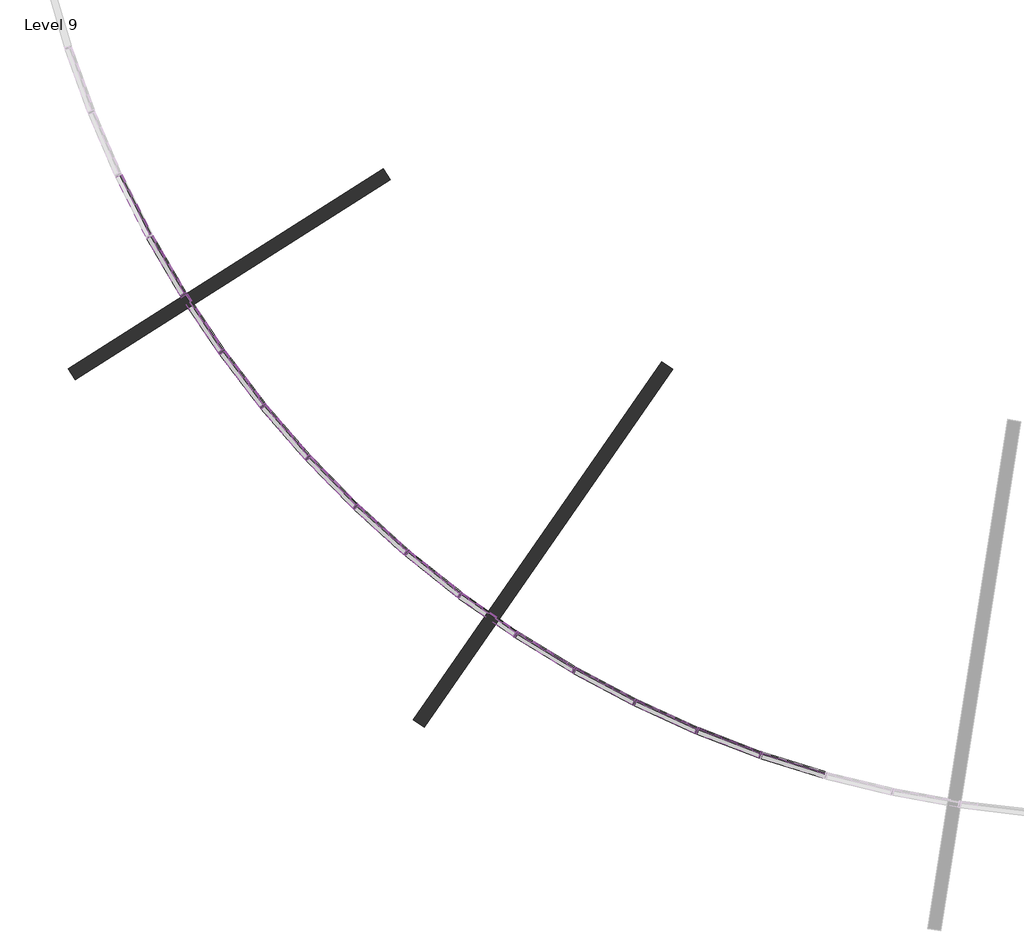
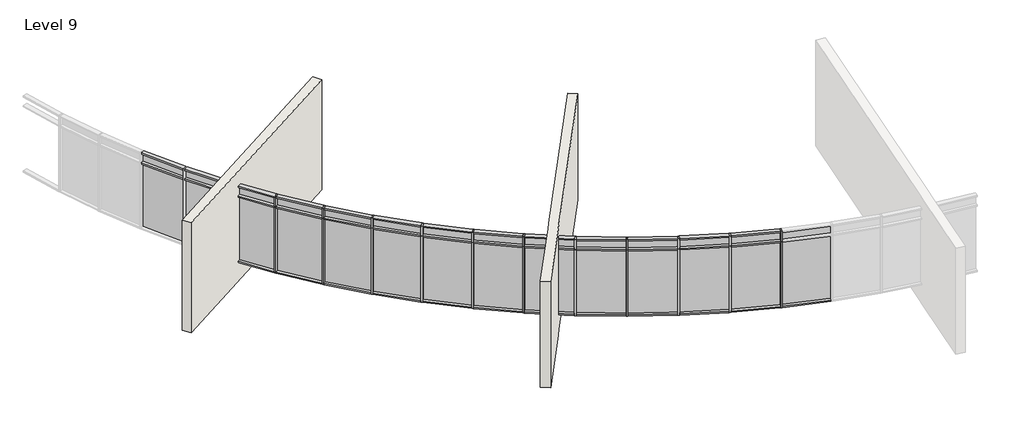
# One storey, part 1 of 10: 63 members, 28 plates, 2 walls.
"""IFC4 building model written with IfcOpenShell, lengths in millimetres."""

import ifcopenshell
import ifcopenshell.guid

model = None  # the IFC model being written
_history = None  # IfcOwnerHistory: only IFC2X3 demands one
_inside = {}  # id of a spatial element -> (the spatial element, [elements in it])
_under = {}  # id of a project, library or spatial element -> (it, [spatial elements below it])
_declared = {}  # id of a project -> (the project, [libraries it declares])
_typed = {}  # id of a type object -> (the type object, [elements of that type])
_made_of = {}  # id of a material, layer set ... -> (it, [elements and type objects made of it])


def new_model(schema):
    """Start an empty IFC model of exactly this schema.

    Asked for "IFC4X3", IfcOpenShell would pick the latest addendum, in which some entities
    have other attributes; the version numbers below select the first issue.
    IFC2X3 requires an IfcOwnerHistory on every rooted entity: one is made here for all.
    """
    global model, _history
    if schema == "IFC4X3":
        model = ifcopenshell.file(schema_version=(4, 3, 0, 0))
    else:
        model = ifcopenshell.file(schema=schema)
    _inside.clear()
    _under.clear()
    _declared.clear()
    _typed.clear()
    _made_of.clear()
    _history = None
    if model.schema == "IFC2X3":
        org = make("IfcOrganization", Name="unknown")
        user = make(
            "IfcPersonAndOrganization",
            ThePerson=make("IfcPerson", FamilyName="unknown"),
            TheOrganization=org,
        )
        app = make(
            "IfcApplication",
            ApplicationDeveloper=org,
            Version="unknown",
            ApplicationFullName="unknown",
            ApplicationIdentifier="unknown",
        )
        _history = make(
            "IfcOwnerHistory",
            OwningUser=user,
            OwningApplication=app,
            ChangeAction="ADDED",
            CreationDate=0,
        )
    return model


def make(cls, **values):
    """One entity of the class cls with the attributes given. An attribute that is None is left unset."""
    return model.create_entity(
        cls, **{name: value for name, value in values.items() if value is not None}
    )


def rooted(cls, **values):
    """An entity with a GlobalId (a new one), such as an element, a storey or a relation."""
    return make(cls, GlobalId=ifcopenshell.guid.new(), OwnerHistory=_history, **values)


def si_unit(unit_type, name, prefix=None):
    """IfcSIUnit, for example si_unit("LENGTHUNIT", "METRE", prefix="MILLI")."""
    return make("IfcSIUnit", UnitType=unit_type, Prefix=prefix, Name=name)


def assignment(units):
    """IfcUnitAssignment: the units of a project."""
    return None if units is None else make("IfcUnitAssignment", Units=units)


def point(xyz):
    """IfcCartesianPoint."""
    return None if xyz is None else make("IfcCartesianPoint", Coordinates=xyz)


def direction(xyz):
    """IfcDirection."""
    return None if xyz is None else make("IfcDirection", DirectionRatios=xyz)


def frame(location, z_axis=None, x_axis=None):
    """IfcAxis2Placement3D, a coordinate frame: its origin and axes. An axis left out is left unset."""
    return make(
        "IfcAxis2Placement3D",
        Location=point(location),
        Axis=direction(z_axis),
        RefDirection=direction(x_axis),
    )


def origin():
    """The frame at (0, 0, 0) with its axes left unset."""
    return frame((0.0, 0.0, 0.0))


def origin_with_axes():
    """The frame at (0, 0, 0) with the z axis (0, 0, 1) and the x axis (1, 0, 0) written out."""
    return frame((0.0, 0.0, 0.0), z_axis=(0.0, 0.0, 1.0), x_axis=(1.0, 0.0, 0.0))


def place(relative_to, where):
    """IfcLocalPlacement: puts the frame where relative to a parent placement (None: the world)."""
    return make(
        "IfcLocalPlacement", PlacementRelTo=relative_to, RelativePlacement=where
    )


def context(
    kind, dimensions, precision=None, world=None, true_north=None, identifier=None
):
    """IfcGeometricRepresentationContext, for example the 3D "Model" context."""
    return make(
        "IfcGeometricRepresentationContext",
        ContextIdentifier=identifier,
        ContextType=kind,
        CoordinateSpaceDimension=dimensions,
        Precision=precision,
        WorldCoordinateSystem=world,
        TrueNorth=true_north,
    )


def project(units=None, contexts=None):
    """IfcProject with its units and contexts."""
    return rooted(
        "IfcProject",
        Name="project",
        RepresentationContexts=contexts,
        UnitsInContext=assignment(units),
    )


def spatial(cls, under=None, at=None, **own):
    """A site, building, storey or space (cls), placed at a placement, below another one or the project."""
    s = rooted(cls, ObjectPlacement=at, **own)
    if under is not None:
        _under.setdefault(under.id(), (under, []))[1].append(s)
    return s


def polyline(points):
    """IfcPolyline through the points."""
    return make("IfcPolyline", Points=[point(p) for p in points])


def outline(outer, holes=None, kind="AREA"):
    """IfcArbitraryClosedProfileDef: a profile drawn as a closed curve; with holes, ...WithVoids."""
    if holes is None:
        return make("IfcArbitraryClosedProfileDef", ProfileType=kind, OuterCurve=outer)
    return make(
        "IfcArbitraryProfileDefWithVoids",
        ProfileType=kind,
        OuterCurve=outer,
        InnerCurves=holes,
    )


def extrude(swept, where, along, depth):
    """IfcExtrudedAreaSolid: the profile swept, set in the frame where, extruded along a direction by depth."""
    return make(
        "IfcExtrudedAreaSolid",
        SweptArea=swept,
        Position=where,
        ExtrudedDirection=direction(along),
        Depth=depth,
    )


def faces_of(points, faces, orient=None, outer=None):
    """IfcFace entities. A face is a list of loops; a loop is a list of indices into points, from 0.

    orient and outer hold one flag for each loop. By default every Orientation is true, the
    first loop of a face is its IfcFaceOuterBound and the others are IfcFaceBound.
    """
    made = []
    for i, loops in enumerate(faces):
        bounds = []
        for j, loop in enumerate(loops):
            is_outer = j == 0 if outer is None else outer[i][j]
            bounds.append(
                make(
                    "IfcFaceOuterBound" if is_outer else "IfcFaceBound",
                    Bound=make("IfcPolyLoop", Polygon=[points[k] for k in loop]),
                    Orientation=True if orient is None else orient[i][j],
                )
            )
        made.append(make("IfcFace", Bounds=bounds))
    return made


def faceted_brep(points, faces, orient=None, outer=None, voids=None):
    """IfcFacetedBrep: a solid bounded by flat faces; with voids (closed shells), ...WithVoids."""
    shared = [point(p) for p in points]
    hull = make("IfcClosedShell", CfsFaces=faces_of(shared, faces, orient, outer))
    if voids is None:
        return make("IfcFacetedBrep", Outer=hull)
    return make(
        "IfcFacetedBrepWithVoids",
        Outer=hull,
        Voids=[
            make(cls, CfsFaces=faces_of(shared, fs, o, b)) for cls, fs, o, b in voids
        ],
    )


def shape(context_of_items, identifier, shape_type, items):
    """IfcShapeRepresentation: the items that make up one representation, for example the "Body"."""
    return make(
        "IfcShapeRepresentation",
        ContextOfItems=context_of_items,
        RepresentationIdentifier=identifier,
        RepresentationType=shape_type,
        Items=items,
    )


def source(mapping_origin, context_of_items, identifier, shape_type, items):
    """IfcRepresentationMap: a shape defined once, which mapped items show again and again."""
    return make(
        "IfcRepresentationMap",
        MappingOrigin=mapping_origin,
        MappedRepresentation=shape(context_of_items, identifier, shape_type, items),
    )


def transform(
    local_origin,
    x_axis=None,
    y_axis=None,
    z_axis=None,
    scale=None,
    scale2=None,
    scale3=None,
    uniform=True,
):
    """IfcCartesianTransformationOperator3D, or its non-uniform kind. x_axis, y_axis, z_axis: its Axis1, 2, 3."""
    if uniform:
        return make(
            "IfcCartesianTransformationOperator3D",
            Axis1=direction(x_axis),
            Axis2=direction(y_axis),
            LocalOrigin=point(local_origin),
            Scale=scale,
            Axis3=direction(z_axis),
        )
    return make(
        "IfcCartesianTransformationOperator3DnonUniform",
        Axis1=direction(x_axis),
        Axis2=direction(y_axis),
        LocalOrigin=point(local_origin),
        Scale=scale,
        Axis3=direction(z_axis),
        Scale2=scale2,
        Scale3=scale3,
    )


def mapped(mapping_source, mapping_target):
    """IfcMappedItem: shows the shape of a source again, moved by a transform."""
    return make(
        "IfcMappedItem", MappingSource=mapping_source, MappingTarget=mapping_target
    )


def made_of(thing, what):
    """Note that an element or type object is made of a material, layer set ...; save() writes the relation."""
    if what is not None:
        _made_of.setdefault(what.id(), (what, []))[1].append(thing)
    return thing


def element(
    cls,
    number,
    at=None,
    inside=None,
    cuts=None,
    type_object=None,
    material=None,
    context=None,
    identifier="Body",
    shape_type=None,
    held_by="IfcProductDefinitionShape",
    body=None,
    shapes=None,
    **own,
):
    """One element of the class cls, such as IfcWall. Its Tag is "e" and its number.

    at: its placement. inside: the storey or other place that contains it. cuts: it is an
    opening in that element (IfcRelVoidsElement). A single representation is given by context,
    identifier, shape_type and body (its items); several are given by shapes. held_by: the class
    of the entity that holds the representations. save() writes the other relations.
    """
    e = rooted(cls, Tag="e%d" % number, ObjectPlacement=at, **own)
    if body is not None:
        shapes = [shape(context, identifier, shape_type, body)]
    if shapes is not None:
        e.Representation = make(held_by, Representations=shapes)
    if inside is not None:
        _inside.setdefault(inside.id(), (inside, []))[1].append(e)
    if cuts is not None:
        rooted(
            "IfcRelVoidsElement", RelatingBuildingElement=cuts, RelatedOpeningElement=e
        )
    if type_object is not None:
        _typed.setdefault(type_object.id(), (type_object, []))[1].append(e)
    return made_of(e, material)


def aggregate(whole, parts):
    """IfcRelAggregates: a whole, such as a stair, and the parts it consists of."""
    return rooted("IfcRelAggregates", RelatingObject=whole, RelatedObjects=parts)


def save(model, path):
    """Write the relations noted so far, then the file.

    IfcRelAggregates (storeys below a building ...), IfcRelContainedInSpatialStructure (elements
    in a storey), IfcRelDefinesByType, IfcRelAssociatesMaterial and IfcRelDeclares: one each for
    every whole, place, type object, material and project.
    """
    for whole, parts in _under.values():
        aggregate(whole, parts)
    for where, things in _inside.values():
        rooted(
            "IfcRelContainedInSpatialStructure",
            RelatedElements=things,
            RelatingStructure=where,
        )
    for kind, things in _typed.values():
        rooted("IfcRelDefinesByType", RelatedObjects=things, RelatingType=kind)
    for what, things in _made_of.values():
        rooted("IfcRelAssociatesMaterial", RelatedObjects=things, RelatingMaterial=what)
    for by, libraries in _declared.values():
        rooted("IfcRelDeclares", RelatingContext=by, RelatedDefinitions=libraries)
    model.write(path)


def rectangular_mullion_50_x_150mm_6225e4e3(model_context):
    return source(origin(), model_context, "Body", "SweptSolid", [
        extrude(outline(polyline([(25.0, 75.0), (25.0, -75.0), (-25.0, -75.0), (-25.0, 75.0), (25.0, 75.0)])), frame((0.0, 0.0, -2400.0), z_axis=(0.0, 0.0, 1.0), x_axis=(1.0, 0.0, 0.0)), (0.0, 0.0, 1.0), 2400.0),
    ])


def rectangular_mullion_50_x_150mm_5f8c5138(model_context):
    return source(origin(), model_context, "Body", "SweptSolid", [
        extrude(outline(polyline([(0.0, 75.0), (0.0, -75.0), (-50.0, -75.0), (-50.0, 75.0), (0.0, 75.0)])), frame((0.0, 0.0, -1486.638566), z_axis=(0.0, 0.0, 1.0), x_axis=(1.0, 0.0, 0.0)), (0.0, 0.0, 1.0), 1486.638566),
    ])


def rectangular_mullion_50_x_150mm_aa73aa68(model_context):
    return source(origin(), model_context, "Body", "SweptSolid", [
        extrude(outline(polyline([(25.0, 75.0), (25.0, -75.0), (-25.0, -75.0), (-25.0, 75.0), (25.0, 75.0)])), frame((0.0, 0.0, -1486.638566), z_axis=(0.0, 0.0, 1.0), x_axis=(1.0, 0.0, 0.0)), (0.0, 0.0, 1.0), 1486.638566),
    ])


def rectangular_mullion_50_x_150mm_8e968590(model_context):
    return source(origin(), model_context, "Body", "SweptSolid", [
        extrude(outline(polyline([(25.0, 75.0), (25.0, -75.0), (-25.0, -75.0), (-25.0, 75.0), (25.0, 75.0)])), frame((0.0, 0.0, -377.1504642), z_axis=(0.0, 0.0, 1.0), x_axis=(1.0, 0.0, 0.0)), (0.0, 0.0, 1.0), 377.1504642),
    ])


def system_panel_glazed_01d78c24(model_context):
    return source(origin(), model_context, "Body", "SweptSolid", [
        extrude(outline(polyline([(743.319283, 24.5), (-743.319283, 24.5), (-743.319283, 49.5), (743.319283, 49.5), (743.319283, 24.5)])), origin_with_axes(), (0.0, 0.0, 1.0), 2325.0),
    ])


def system_panel_glazed_a4027662(model_context):
    return source(origin(), model_context, "Body", "SweptSolid", [
        extrude(outline(polyline([(743.319283, 24.5), (-743.319283, 24.5), (-743.319283, 49.5), (743.319283, 49.5), (743.319283, 24.5)])), origin_with_axes(), (0.0, 0.0, 1.0), 302.1504642),
    ])


model = new_model("IFC4")

# Units and contexts
model_context = context("Model", 3, world=origin())
ifc_project = project(units=[si_unit("LENGTHUNIT", "METRE", prefix="MILLI")], contexts=[model_context])

# Site, building, storey
site = spatial("IfcSite", under=ifc_project)
building = spatial("IfcBuilding", under=site)
storey = spatial("IfcBuildingStorey", under=building, Name="Level 9", Elevation=31000.0)

# Members
placement = place(None, origin())
rectangular_mullion_50_x_150mm_shape = rectangular_mullion_50_x_150mm_6225e4e3(model_context)
element("IfcMember", 1, ObjectType="Rectangular Mullion : 50 x 150mm", at=placement, inside=storey, context=model_context, shape_type="MappedRepresentation", body=[
    mapped(rectangular_mullion_50_x_150mm_shape, transform((-29980.4490759, -67295.168593, 31684.9990095), x_axis=(0.5308754814550768, -0.8474498352055067, 0.0), y_axis=(-0.8474498352055067, -0.5308754814550768, 0.0), z_axis=(0.0, 0.0, -1.0))),
])
element("IfcMember", 2, ObjectType="Rectangular Mullion : 50 x 150mm", at=placement, inside=storey, context=model_context, shape_type="MappedRepresentation", body=[
    mapped(rectangular_mullion_50_x_150mm_shape, transform((-29125.0497186, -68571.7068894, 31684.9990095), x_axis=(0.581937013310164, -0.8132338609155708, 0.0), y_axis=(-0.8132338609155708, -0.581937013310164, 0.0), z_axis=(0.0, 0.0, -1.0))),
])
element("IfcMember", 3, ObjectType="Rectangular Mullion : 50 x 150mm", at=placement, inside=storey, context=model_context, shape_type="MappedRepresentation", body=[
    mapped(rectangular_mullion_50_x_150mm_shape, transform((-28192.8401603, -69793.2810467, 31684.9990095), x_axis=(0.6307999796033567, -0.7759454785823583, 0.0), y_axis=(-0.7759454785823583, -0.6307999796033567, 0.0), z_axis=(0.0, 0.0, -1.0))),
])
element("IfcMember", 4, ObjectType="Rectangular Mullion : 50 x 150mm", at=placement, inside=storey, context=model_context, shape_type="MappedRepresentation", body=[
    mapped(rectangular_mullion_50_x_150mm_shape, transform((-27187.3423006, -70955.275942, 31684.9990095), x_axis=(0.6772797754161035, -0.7357255641965368, 0.0), y_axis=(-0.7357255641965368, -0.6772797754161035, 0.0), z_axis=(0.0, 0.0, -1.0))),
])
element("IfcMember", 5, ObjectType="Rectangular Mullion : 50 x 150mm", at=placement, inside=storey, context=model_context, shape_type="MappedRepresentation", body=[
    mapped(rectangular_mullion_50_x_150mm_shape, transform((-26112.3549236, -72053.3015436, 31684.9990095), x_axis=(0.7212007994787487, -0.6927260691147791, 0.0), y_axis=(-0.6927260691147791, -0.7212007994787487, 0.0), z_axis=(0.0, 0.0, -1.0))),
])
element("IfcMember", 6, ObjectType="Rectangular Mullion : 50 x 150mm", at=placement, inside=storey, context=model_context, shape_type="MappedRepresentation", body=[
    mapped(rectangular_mullion_50_x_150mm_shape, transform((-24971.9393454, -73083.2094965, 31684.9990095), x_axis=(0.7623971175943963, -0.6471094459855739, 0.0), y_axis=(-0.6471094459855739, -0.7623971175943963, 0.0), z_axis=(0.0, 0.0, -1.0))),
])
element("IfcMember", 7, ObjectType="Rectangular Mullion : 50 x 150mm", at=placement, inside=storey, context=model_context, shape_type="MappedRepresentation", body=[
    mapped(rectangular_mullion_50_x_150mm_shape, transform((-23770.4040708, -74041.1087951, 31684.9990095), x_axis=(0.8007130895404541, -0.5990480350010181, 0.0), y_axis=(-0.5990480350010181, -0.8007130895404541, 0.0), z_axis=(0.0, 0.0, -1.0))),
])
element("IfcMember", 8, ObjectType="Rectangular Mullion : 50 x 150mm", at=placement, inside=storey, context=model_context, shape_type="MappedRepresentation", body=[
    mapped(rectangular_mullion_50_x_150mm_shape, transform((-22512.2885156, -74923.3804836, 31684.9990095), x_axis=(0.8360039570794082, -0.5487234127933407, 0.0), y_axis=(-0.5487234127933407, -0.8360039570794082, 0.0), z_axis=(0.0, 0.0, -1.0))),
])
element("IfcMember", 9, ObjectType="Rectangular Mullion : 50 x 150mm", at=placement, inside=storey, context=model_context, shape_type="MappedRepresentation", body=[
    mapped(rectangular_mullion_50_x_150mm_shape, transform((-21202.3458566, -75726.6913281, 31684.9990095), x_axis=(0.8681363908573159, -0.4963257064360396, 0.0), y_axis=(-0.4963257064360396, -0.8681363908573159, 0.0), z_axis=(0.0, 0.0, -1.0))),
])
element("IfcMember", 10, ObjectType="Rectangular Mullion : 50 x 150mm", at=placement, inside=storey, context=model_context, shape_type="MappedRepresentation", body=[
    mapped(rectangular_mullion_50_x_150mm_shape, transform((-19845.5250743, -76448.0064097, 31684.9990095), x_axis=(0.8969889941238268, -0.44205287514134034, 0.0), y_axis=(-0.44205287514134034, -0.8969889941238268, 0.0), z_axis=(0.0, 0.0, -1.0))),
])
element("IfcMember", 11, ObjectType="Rectangular Mullion : 50 x 150mm", at=placement, inside=storey, context=model_context, shape_type="MappedRepresentation", body=[
    mapped(rectangular_mullion_50_x_150mm_shape, transform((-18446.9522549, -77084.6005909, 31684.9990095), x_axis=(0.9224527613706781, -0.3861099623677312, 0.0), y_axis=(-0.3861099623677312, -0.9224527613706781, 0.0), z_axis=(0.0, 0.0, -1.0))),
])
element("IfcMember", 12, ObjectType="Rectangular Mullion : 50 x 150mm", at=placement, inside=storey, context=model_context, shape_type="MappedRepresentation", body=[
    mapped(rectangular_mullion_50_x_150mm_shape, transform((-17011.9112248, -77634.0688105, 31684.9990095), x_axis=(0.9444314901559142, -0.3287083211631237, 0.0), y_axis=(-0.3287083211631237, -0.9444314901559142, 0.0), z_axis=(0.0, 0.0, -1.0))),
])
rectangular_mullion_50_x_150mm_2_shape = rectangular_mullion_50_x_150mm_5f8c5138(model_context)
element("IfcMember", 13, ObjectType="Rectangular Mullion : 50 x 150mm", at=placement, inside=storey, context=model_context, shape_type="MappedRepresentation", body=[
    mapped(rectangular_mullion_50_x_150mm_2_shape, transform((-30743.1920164, -65990.0730559, 31684.9990095), x_axis=(0.0, 0.0, -1.0), y_axis=(-0.8633648058773548, -0.5045802334340472, 0.0), z_axis=(-0.5045802334340472, 0.8633648058773548, 0.0))),
])
element("IfcMember", 14, ObjectType="Rectangular Mullion : 50 x 150mm", at=placement, inside=storey, context=model_context, shape_type="MappedRepresentation", body=[
    mapped(rectangular_mullion_50_x_150mm_2_shape, transform((-29966.5323459, -67315.9369494, 31684.9990095), x_axis=(0.0, 0.0, -1.0), y_axis=(-0.8307342563355856, -0.5566691974149114, 0.0), z_axis=(-0.5566691974149114, 0.8307342563355856, 0.0))),
])
element("IfcMember", 15, ObjectType="Rectangular Mullion : 50 x 150mm", at=placement, inside=storey, context=model_context, shape_type="MappedRepresentation", body=[
    mapped(rectangular_mullion_50_x_150mm_2_shape, transform((-29109.8833422, -68591.5810189, 31684.9990095), x_axis=(0.0, 0.0, -1.0), y_axis=(-0.7949651820303252, -0.6066550579690999, 0.0), z_axis=(-0.6066550579690999, 0.7949651820303252, 0.0))),
])
element("IfcMember", 16, ObjectType="Rectangular Mullion : 50 x 150mm", at=placement, inside=storey, context=model_context, shape_type="MappedRepresentation", body=[
    mapped(rectangular_mullion_50_x_150mm_2_shape, transform((-28176.4814361, -69812.1858647, 31684.9990095), x_axis=(0.0, 0.0, -1.0), y_axis=(-0.7561927189868707, -0.6543489678690139, 0.0), z_axis=(-0.6543489678690138, 0.7561927189868706, 0.0))),
])
element("IfcMember", 17, ObjectType="Rectangular Mullion : 50 x 150mm", at=placement, inside=storey, context=model_context, shape_type="MappedRepresentation", body=[
    mapped(rectangular_mullion_50_x_150mm_2_shape, transform((-27169.8530322, -70973.1400258, 31684.9990095), x_axis=(0.0, 0.0, -1.0), y_axis=(-0.7145633500720007, -0.6995707389062805, 0.0), z_axis=(-0.6995707389062805, 0.7145633500720007, 0.0))),
])
element("IfcMember", 18, ObjectType="Rectangular Mullion : 50 x 150mm", at=placement, inside=storey, context=model_context, shape_type="MappedRepresentation", body=[
    mapped(rectangular_mullion_50_x_150mm_2_shape, transform((-26093.8011855, -72070.0574024, 31684.9990095), x_axis=(0.0, 0.0, -1.0), y_axis=(-0.6702343515798254, -0.7421495226451142, 0.0), z_axis=(-0.7421495226451142, 0.6702343515798254, 0.0))),
])
element("IfcMember", 19, ObjectType="Rectangular Mullion : 50 x 150mm", at=placement, inside=storey, context=model_context, shape_type="MappedRepresentation", body=[
    mapped(rectangular_mullion_50_x_150mm_2_shape, transform((-24952.391234, -73098.7938265, 31684.9990095), x_axis=(0.0, 0.0, -1.0), y_axis=(-0.6233731990399086, -0.781924455889922, 0.0), z_axis=(-0.781924455889922, 0.6233731990399086, 0.0))),
])
element("IfcMember", 20, ObjectType="Rectangular Mullion : 50 x 150mm", at=placement, inside=storey, context=model_context, shape_type="MappedRepresentation", body=[
    mapped(rectangular_mullion_50_x_150mm_2_shape, transform((-23749.935439, -74055.4627185, 31684.9990095), x_axis=(0.0, 0.0, -1.0), y_axis=(-0.5741569344925725, -0.8187452684285216, 0.0), z_axis=(-0.8187452684285216, 0.5741569344925725, 0.0))),
])
element("IfcMember", 21, ObjectType="Rectangular Mullion : 50 x 150mm", at=placement, inside=storey, context=model_context, shape_type="MappedRepresentation", body=[
    mapped(rectangular_mullion_50_x_150mm_2_shape, transform((-22490.9766943, -74936.4497711, 31684.9990095), x_axis=(0.0, 0.0, -1.0), y_axis=(-0.5227714976217115, -0.8524728507549979, 0.0), z_axis=(-0.8524728507549979, 0.5227714976217115, 0.0))),
])
element("IfcMember", 22, ObjectType="Rectangular Mullion : 50 x 150mm", at=placement, inside=storey, context=model_context, shape_type="MappedRepresentation", body=[
    mapped(rectangular_mullion_50_x_150mm_2_shape, transform((-21180.2713621, -75738.4266036, 31684.9990095), x_axis=(0.0, 0.0, -1.0), y_axis=(-0.469411023272367, -0.8829797796271381, 0.0), z_axis=(-0.882979779627138, 0.46941102327236695, 0.0))),
])
element("IfcMember", 23, ObjectType="Rectangular Mullion : 50 x 150mm", at=placement, inside=storey, context=model_context, shape_type="MappedRepresentation", body=[
    mapped(rectangular_mullion_50_x_150mm_2_shape, transform((-19822.7713043, -76458.3633374, 31684.9990095), x_axis=(0.0, 0.0, -1.0), y_axis=(-0.4142771080066675, -0.9101507994731598, 0.0), z_axis=(-0.9101507994731597, 0.41427710800666745, 0.0))),
])
element("IfcMember", 24, ObjectType="Rectangular Mullion : 50 x 150mm", at=placement, inside=storey, context=model_context, shape_type="MappedRepresentation", body=[
    mapped(rectangular_mullion_50_x_150mm_2_shape, transform((-18423.6051735, -77093.5400421, 31684.9990095), x_axis=(0.0, 0.0, -1.0), y_axis=(-0.3575780484694937, -0.9338832578287013, 0.0), z_axis=(-0.9338832578287013, 0.3575780484694937, 0.0))),
])
element("IfcMember", 25, ObjectType="Rectangular Mullion : 50 x 150mm", at=placement, inside=storey, context=model_context, shape_type="MappedRepresentation", body=[
    mapped(rectangular_mullion_50_x_150mm_2_shape, transform((-16988.0590375, -77641.5570119, 31684.9990095), x_axis=(0.0, 0.0, -1.0), y_axis=(-0.29952805444100455, -0.9540874931591896, 0.0), z_axis=(-0.9540874931591896, 0.29952805444100455, 0.0))),
])
element("IfcMember", 26, ObjectType="Rectangular Mullion : 50 x 150mm", at=placement, inside=storey, context=model_context, shape_type="MappedRepresentation", body=[
    mapped(rectangular_mullion_50_x_150mm_2_shape, transform((-30767.0711462, -65946.170597, 34462.1494736), x_axis=(0.0, 0.0, 1.0), y_axis=(-0.8927335520174858, -0.45058495880604255, 0.0), z_axis=(0.4505849588060425, -0.8927335520174857, 0.0))),
])
element("IfcMember", 27, ObjectType="Rectangular Mullion : 50 x 150mm", at=placement, inside=storey, context=model_context, shape_type="MappedRepresentation", body=[
    mapped(rectangular_mullion_50_x_150mm_2_shape, transform((-29993.0635817, -67273.5844729, 34462.1494736), x_axis=(0.0, 0.0, 1.0), y_axis=(-0.8633648058773554, -0.5045802334340462, 0.0), z_axis=(0.5045802334340462, -0.8633648058773554, 0.0))),
])
element("IfcMember", 28, ObjectType="Rectangular Mullion : 50 x 150mm", at=placement, inside=storey, context=model_context, shape_type="MappedRepresentation", body=[
    mapped(rectangular_mullion_50_x_150mm_2_shape, transform((-29138.9664486, -68550.938533, 34462.1494736), x_axis=(0.0, 0.0, 1.0), y_axis=(-0.8307342563355847, -0.5566691974149126, 0.0), z_axis=(0.5566691974149126, -0.8307342563355847, 0.0))),
])
element("IfcMember", 29, ObjectType="Rectangular Mullion : 50 x 150mm", at=placement, inside=storey, context=model_context, shape_type="MappedRepresentation", body=[
    mapped(rectangular_mullion_50_x_150mm_2_shape, transform((-28208.0065367, -69773.4069172, 34462.1494736), x_axis=(0.0, 0.0, 1.0), y_axis=(-0.7949651820303252, -0.6066550579690999, 0.0), z_axis=(0.6066550579690999, -0.7949651820303252, 0.0))),
])
element("IfcMember", 30, ObjectType="Rectangular Mullion : 50 x 150mm", at=placement, inside=storey, context=model_context, shape_type="MappedRepresentation", body=[
    mapped(rectangular_mullion_50_x_150mm_2_shape, transform((-27203.7010248, -70936.3711241, 34462.1494736), x_axis=(0.0, 0.0, 1.0), y_axis=(-0.7561927189868703, -0.6543489678690143, 0.0), z_axis=(0.6543489678690143, -0.7561927189868703, 0.0))),
])
element("IfcMember", 31, ObjectType="Rectangular Mullion : 50 x 150mm", at=placement, inside=storey, context=model_context, shape_type="MappedRepresentation", body=[
    mapped(rectangular_mullion_50_x_150mm_2_shape, transform((-26129.8441921, -72035.4374598, 34462.1494736), x_axis=(0.0, 0.0, 1.0), y_axis=(-0.7145633500720009, -0.6995707389062805, 0.0), z_axis=(0.6995707389062805, -0.7145633500720009, 0.0))),
])
element("IfcMember", 32, ObjectType="Rectangular Mullion : 50 x 150mm", at=placement, inside=storey, context=model_context, shape_type="MappedRepresentation", body=[
    mapped(rectangular_mullion_50_x_150mm_2_shape, transform((-24990.4930834, -73066.4536377, 34462.1494736), x_axis=(0.0, 0.0, 1.0), y_axis=(-0.6702343515798257, -0.742149522645114, 0.0), z_axis=(0.742149522645114, -0.6702343515798257, 0.0))),
])
element("IfcMember", 33, ObjectType="Rectangular Mullion : 50 x 150mm", at=placement, inside=storey, context=model_context, shape_type="MappedRepresentation", body=[
    mapped(rectangular_mullion_50_x_150mm_2_shape, transform((-23789.9521822, -74025.5244652, 34462.1494736), x_axis=(0.0, 0.0, 1.0), y_axis=(-0.623373199039908, -0.7819244558899225, 0.0), z_axis=(0.7819244558899225, -0.623373199039908, 0.0))),
])
element("IfcMember", 34, ObjectType="Rectangular Mullion : 50 x 150mm", at=placement, inside=storey, context=model_context, shape_type="MappedRepresentation", body=[
    mapped(rectangular_mullion_50_x_150mm_2_shape, transform((-22532.7571473, -74909.0265603, 34462.1494736), x_axis=(0.0, 0.0, 1.0), y_axis=(-0.5741569344925697, -0.8187452684285236, 0.0), z_axis=(0.8187452684285236, -0.5741569344925697, 0.0))),
])
element("IfcMember", 35, ObjectType="Rectangular Mullion : 50 x 150mm", at=placement, inside=storey, context=model_context, shape_type="MappedRepresentation", body=[
    mapped(rectangular_mullion_50_x_150mm_2_shape, transform((-21223.6576779, -75713.6220406, 34462.1494736), x_axis=(0.0, 0.0, 1.0), y_axis=(-0.522771497621714, -0.8524728507549963, 0.0), z_axis=(0.8524728507549963, -0.522771497621714, 0.0))),
])
element("IfcMember", 36, ObjectType="Rectangular Mullion : 50 x 150mm", at=placement, inside=storey, context=model_context, shape_type="MappedRepresentation", body=[
    mapped(rectangular_mullion_50_x_150mm_2_shape, transform((-19867.5995688, -76436.2711341, 34462.1494736), x_axis=(0.0, 0.0, 1.0), y_axis=(-0.46941102327236284, -0.8829797796271404, 0.0), z_axis=(0.8829797796271404, -0.46941102327236284, 0.0))),
])
element("IfcMember", 37, ObjectType="Rectangular Mullion : 50 x 150mm", at=placement, inside=storey, context=model_context, shape_type="MappedRepresentation", body=[
    mapped(rectangular_mullion_50_x_150mm_2_shape, transform((-18469.7060249, -77074.2436632, 34462.1494736), x_axis=(0.0, 0.0, 1.0), y_axis=(-0.41427710800666895, -0.9101507994731591, 0.0), z_axis=(0.910150799473159, -0.4142771080066689, 0.0))),
])
element("IfcMember", 38, ObjectType="Rectangular Mullion : 50 x 150mm", at=placement, inside=storey, context=model_context, shape_type="MappedRepresentation", body=[
    mapped(rectangular_mullion_50_x_150mm_2_shape, transform((-17035.2583063, -77625.1293593, 34462.1494736), x_axis=(0.0, 0.0, 1.0), y_axis=(-0.35757804846949603, -0.9338832578287003, 0.0), z_axis=(0.9338832578287003, -0.35757804846949603, 0.0))),
])
rectangular_mullion_50_x_150mm_3_shape = rectangular_mullion_50_x_150mm_aa73aa68(model_context)
element("IfcMember", 39, ObjectType="Rectangular Mullion : 50 x 150mm", at=placement, inside=storey, context=model_context, shape_type="MappedRepresentation", body=[
    mapped(rectangular_mullion_50_x_150mm_3_shape, transform((-30767.0711462, -65946.170597, 34084.9990095), x_axis=(0.0, 0.0, 1.0), y_axis=(-0.8927335520174858, -0.4505849588060425, 0.0), z_axis=(0.45058495880604243, -0.8927335520174857, 0.0))),
])
element("IfcMember", 40, ObjectType="Rectangular Mullion : 50 x 150mm", at=placement, inside=storey, context=model_context, shape_type="MappedRepresentation", body=[
    mapped(rectangular_mullion_50_x_150mm_3_shape, transform((-29993.0635817, -67273.5844729, 34084.9990095), x_axis=(0.0, 0.0, 1.0), y_axis=(-0.8633648058773551, -0.5045802334340466, 0.0), z_axis=(0.5045802334340466, -0.8633648058773551, 0.0))),
])
element("IfcMember", 41, ObjectType="Rectangular Mullion : 50 x 150mm", at=placement, inside=storey, context=model_context, shape_type="MappedRepresentation", body=[
    mapped(rectangular_mullion_50_x_150mm_3_shape, transform((-29138.9664486, -68550.938533, 34084.9990095), x_axis=(0.0, 0.0, 1.0), y_axis=(-0.8307342563355847, -0.5566691974149126, 0.0), z_axis=(0.5566691974149126, -0.8307342563355847, 0.0))),
])
element("IfcMember", 42, ObjectType="Rectangular Mullion : 50 x 150mm", at=placement, inside=storey, context=model_context, shape_type="MappedRepresentation", body=[
    mapped(rectangular_mullion_50_x_150mm_3_shape, transform((-28208.0065367, -69773.4069172, 34084.9990095), x_axis=(0.0, 0.0, 1.0), y_axis=(-0.7949651820303252, -0.6066550579690999, 0.0), z_axis=(0.6066550579690999, -0.7949651820303252, 0.0))),
])
element("IfcMember", 43, ObjectType="Rectangular Mullion : 50 x 150mm", at=placement, inside=storey, context=model_context, shape_type="MappedRepresentation", body=[
    mapped(rectangular_mullion_50_x_150mm_3_shape, transform((-27203.7010248, -70936.3711241, 34084.9990095), x_axis=(0.0, 0.0, 1.0), y_axis=(-0.7561927189868692, -0.6543489678690154, 0.0), z_axis=(0.6543489678690154, -0.7561927189868692, 0.0))),
])
element("IfcMember", 44, ObjectType="Rectangular Mullion : 50 x 150mm", at=placement, inside=storey, context=model_context, shape_type="MappedRepresentation", body=[
    mapped(rectangular_mullion_50_x_150mm_3_shape, transform((-26129.8441921, -72035.4374598, 34084.9990095), x_axis=(0.0, 0.0, 1.0), y_axis=(-0.7145633500720009, -0.6995707389062805, 0.0), z_axis=(0.6995707389062805, -0.7145633500720009, 0.0))),
])
element("IfcMember", 45, ObjectType="Rectangular Mullion : 50 x 150mm", at=placement, inside=storey, context=model_context, shape_type="MappedRepresentation", body=[
    mapped(rectangular_mullion_50_x_150mm_3_shape, transform((-24990.4930834, -73066.4536377, 34084.9990095), x_axis=(0.0, 0.0, 1.0), y_axis=(-0.6702343515798257, -0.742149522645114, 0.0), z_axis=(0.742149522645114, -0.6702343515798257, 0.0))),
])
element("IfcMember", 46, ObjectType="Rectangular Mullion : 50 x 150mm", at=placement, inside=storey, context=model_context, shape_type="MappedRepresentation", body=[
    mapped(rectangular_mullion_50_x_150mm_3_shape, transform((-23789.9521822, -74025.5244652, 34084.9990095), x_axis=(0.0, 0.0, 1.0), y_axis=(-0.6233731990399086, -0.781924455889922, 0.0), z_axis=(0.781924455889922, -0.6233731990399086, 0.0))),
])
element("IfcMember", 47, ObjectType="Rectangular Mullion : 50 x 150mm", at=placement, inside=storey, context=model_context, shape_type="MappedRepresentation", body=[
    mapped(rectangular_mullion_50_x_150mm_3_shape, transform((-22532.7571473, -74909.0265603, 34084.9990095), x_axis=(0.0, 0.0, 1.0), y_axis=(-0.5741569344925709, -0.8187452684285228, 0.0), z_axis=(0.8187452684285227, -0.5741569344925708, 0.0))),
])
element("IfcMember", 48, ObjectType="Rectangular Mullion : 50 x 150mm", at=placement, inside=storey, context=model_context, shape_type="MappedRepresentation", body=[
    mapped(rectangular_mullion_50_x_150mm_3_shape, transform((-21223.6576779, -75713.6220406, 34084.9990095), x_axis=(0.0, 0.0, 1.0), y_axis=(-0.5227714976217124, -0.8524728507549973, 0.0), z_axis=(0.8524728507549973, -0.5227714976217124, 0.0))),
])
element("IfcMember", 49, ObjectType="Rectangular Mullion : 50 x 150mm", at=placement, inside=storey, context=model_context, shape_type="MappedRepresentation", body=[
    mapped(rectangular_mullion_50_x_150mm_3_shape, transform((-19867.5995688, -76436.2711341, 34084.9990095), x_axis=(0.0, 0.0, 1.0), y_axis=(-0.4694110232723608, -0.8829797796271414, 0.0), z_axis=(0.8829797796271414, -0.4694110232723608, 0.0))),
])
element("IfcMember", 50, ObjectType="Rectangular Mullion : 50 x 150mm", at=placement, inside=storey, context=model_context, shape_type="MappedRepresentation", body=[
    mapped(rectangular_mullion_50_x_150mm_3_shape, transform((-18469.7060249, -77074.2436632, 34084.9990095), x_axis=(0.0, 0.0, 1.0), y_axis=(-0.41427710800666895, -0.9101507994731591, 0.0), z_axis=(0.910150799473159, -0.4142771080066689, 0.0))),
])
element("IfcMember", 51, ObjectType="Rectangular Mullion : 50 x 150mm", at=placement, inside=storey, context=model_context, shape_type="MappedRepresentation", body=[
    mapped(rectangular_mullion_50_x_150mm_3_shape, transform((-17035.2583063, -77625.1293593, 34084.9990095), x_axis=(0.0, 0.0, 1.0), y_axis=(-0.35757804846949603, -0.9338832578287003, 0.0), z_axis=(0.9338832578287003, -0.35757804846949603, 0.0))),
])
rectangular_mullion_50_x_150mm_4_shape = rectangular_mullion_50_x_150mm_8e968590(model_context)
element("IfcMember", 52, ObjectType="Rectangular Mullion : 50 x 150mm", at=placement, inside=storey, context=model_context, shape_type="MappedRepresentation", body=[
    mapped(rectangular_mullion_50_x_150mm_4_shape, transform((-29980.4490759, -67295.168593, 34084.9990095), x_axis=(0.5308754814550768, -0.8474498352055067, 0.0), y_axis=(-0.8474498352055067, -0.5308754814550768, 0.0), z_axis=(0.0, 0.0, -1.0))),
])
element("IfcMember", 53, ObjectType="Rectangular Mullion : 50 x 150mm", at=placement, inside=storey, context=model_context, shape_type="MappedRepresentation", body=[
    mapped(rectangular_mullion_50_x_150mm_4_shape, transform((-29125.0497186, -68571.7068894, 34084.9990095), x_axis=(0.581937013310164, -0.8132338609155708, 0.0), y_axis=(-0.8132338609155708, -0.581937013310164, 0.0), z_axis=(0.0, 0.0, -1.0))),
])
element("IfcMember", 54, ObjectType="Rectangular Mullion : 50 x 150mm", at=placement, inside=storey, context=model_context, shape_type="MappedRepresentation", body=[
    mapped(rectangular_mullion_50_x_150mm_4_shape, transform((-28192.8401603, -69793.2810467, 34084.9990095), x_axis=(0.6307999796033567, -0.7759454785823583, 0.0), y_axis=(-0.7759454785823583, -0.6307999796033567, 0.0), z_axis=(0.0, 0.0, -1.0))),
])
element("IfcMember", 55, ObjectType="Rectangular Mullion : 50 x 150mm", at=placement, inside=storey, context=model_context, shape_type="MappedRepresentation", body=[
    mapped(rectangular_mullion_50_x_150mm_4_shape, transform((-27187.3423006, -70955.275942, 34084.9990095), x_axis=(0.6772797754161038, -0.7357255641965365, 0.0), y_axis=(-0.7357255641965365, -0.6772797754161038, 0.0), z_axis=(0.0, 0.0, -1.0))),
])
element("IfcMember", 56, ObjectType="Rectangular Mullion : 50 x 150mm", at=placement, inside=storey, context=model_context, shape_type="MappedRepresentation", body=[
    mapped(rectangular_mullion_50_x_150mm_4_shape, transform((-26112.3549236, -72053.3015436, 34084.9990095), x_axis=(0.7212007994787485, -0.6927260691147794, 0.0), y_axis=(-0.6927260691147794, -0.7212007994787485, 0.0), z_axis=(0.0, 0.0, -1.0))),
])
element("IfcMember", 57, ObjectType="Rectangular Mullion : 50 x 150mm", at=placement, inside=storey, context=model_context, shape_type="MappedRepresentation", body=[
    mapped(rectangular_mullion_50_x_150mm_4_shape, transform((-24971.9393454, -73083.2094965, 34084.9990095), x_axis=(0.7623971175943963, -0.6471094459855739, 0.0), y_axis=(-0.6471094459855739, -0.7623971175943963, 0.0), z_axis=(0.0, 0.0, -1.0))),
])
element("IfcMember", 58, ObjectType="Rectangular Mullion : 50 x 150mm", at=placement, inside=storey, context=model_context, shape_type="MappedRepresentation", body=[
    mapped(rectangular_mullion_50_x_150mm_4_shape, transform((-23770.4040708, -74041.1087951, 34084.9990095), x_axis=(0.8007130895404535, -0.5990480350010188, 0.0), y_axis=(-0.5990480350010188, -0.8007130895404535, 0.0), z_axis=(0.0, 0.0, -1.0))),
])
element("IfcMember", 59, ObjectType="Rectangular Mullion : 50 x 150mm", at=placement, inside=storey, context=model_context, shape_type="MappedRepresentation", body=[
    mapped(rectangular_mullion_50_x_150mm_4_shape, transform((-22512.2885156, -74923.3804836, 34084.9990095), x_axis=(0.8360039570794082, -0.5487234127933407, 0.0), y_axis=(-0.5487234127933407, -0.8360039570794082, 0.0), z_axis=(0.0, 0.0, -1.0))),
])
element("IfcMember", 60, ObjectType="Rectangular Mullion : 50 x 150mm", at=placement, inside=storey, context=model_context, shape_type="MappedRepresentation", body=[
    mapped(rectangular_mullion_50_x_150mm_4_shape, transform((-21202.3458566, -75726.6913281, 34084.9990095), x_axis=(0.8681363908573159, -0.4963257064360396, 0.0), y_axis=(-0.4963257064360396, -0.8681363908573159, 0.0), z_axis=(0.0, 0.0, -1.0))),
])
element("IfcMember", 61, ObjectType="Rectangular Mullion : 50 x 150mm", at=placement, inside=storey, context=model_context, shape_type="MappedRepresentation", body=[
    mapped(rectangular_mullion_50_x_150mm_4_shape, transform((-19845.5250743, -76448.0064097, 34084.9990095), x_axis=(0.8969889941238268, -0.44205287514134034, 0.0), y_axis=(-0.44205287514134034, -0.8969889941238268, 0.0), z_axis=(0.0, 0.0, -1.0))),
])
element("IfcMember", 62, ObjectType="Rectangular Mullion : 50 x 150mm", at=placement, inside=storey, context=model_context, shape_type="MappedRepresentation", body=[
    mapped(rectangular_mullion_50_x_150mm_4_shape, transform((-18446.9522549, -77084.6005909, 34084.9990095), x_axis=(0.9224527613706781, -0.3861099623677312, 0.0), y_axis=(-0.3861099623677312, -0.9224527613706781, 0.0), z_axis=(0.0, 0.0, -1.0))),
])
element("IfcMember", 63, ObjectType="Rectangular Mullion : 50 x 150mm", at=placement, inside=storey, context=model_context, shape_type="MappedRepresentation", body=[
    mapped(rectangular_mullion_50_x_150mm_4_shape, transform((-17011.9112248, -77634.0688105, 34084.9990095), x_axis=(0.9444314901559142, -0.3287083211631237, 0.0), y_axis=(-0.3287083211631237, -0.9444314901559142, 0.0), z_axis=(0.0, 0.0, -1.0))),
])

# Plates
system_panel_glazed_shape = system_panel_glazed_01d78c24(model_context)
element("IfcPlate", 64, ObjectType="System Panel : Glazed", at=placement, inside=storey, context=model_context, shape_type="MappedRepresentation", body=[
    mapped(system_panel_glazed_shape, transform((-31101.9996347, -65282.5845332, 31734.9990095), x_axis=(0.45058495880604243, -0.8927335520174858, 0.0), y_axis=(0.8927335520174858, 0.45058495880604243, 0.0), z_axis=(0.0, 0.0, 1.0))),
])
element("IfcPlate", 65, ObjectType="System Panel : Glazed", at=placement, inside=storey, context=model_context, shape_type="MappedRepresentation", body=[
    mapped(system_panel_glazed_shape, transform((-30368.127799, -66631.8287644, 31734.9990095), x_axis=(0.5045802334340459, -0.8633648058773555, 0.0), y_axis=(0.8633648058773555, 0.5045802334340459, 0.0), z_axis=(0.0, 0.0, 1.0))),
])
element("IfcPlate", 66, ObjectType="System Panel : Glazed", at=placement, inside=storey, context=model_context, shape_type="MappedRepresentation", body=[
    mapped(system_panel_glazed_shape, transform((-29552.7493972, -67933.4377412, 31734.9990095), x_axis=(0.5566691974149126, -0.8307342563355848, 0.0), y_axis=(0.8307342563355848, 0.5566691974149126, 0.0), z_axis=(0.0, 0.0, 1.0))),
])
element("IfcPlate", 67, ObjectType="System Panel : Glazed", at=placement, inside=storey, context=model_context, shape_type="MappedRepresentation", body=[
    mapped(system_panel_glazed_shape, transform((-28658.9449395, -69182.493968, 31734.9990095), x_axis=(0.6066550579690999, -0.7949651820303252, 0.0), y_axis=(0.7949651820303252, 0.6066550579690999, 0.0), z_axis=(0.0, 0.0, 1.0))),
])
element("IfcPlate", 68, ObjectType="System Panel : Glazed", at=placement, inside=storey, context=model_context, shape_type="MappedRepresentation", body=[
    mapped(system_panel_glazed_shape, transform((-27690.0912305, -70374.2784944, 31734.9990095), x_axis=(0.6543489678690143, -0.7561927189868703, 0.0), y_axis=(0.7561927189868703, 0.6543489678690143, 0.0), z_axis=(0.0, 0.0, 1.0))),
])
element("IfcPlate", 69, ObjectType="System Panel : Glazed", at=placement, inside=storey, context=model_context, shape_type="MappedRepresentation", body=[
    mapped(system_panel_glazed_shape, transform((-26649.8486121, -71504.2887428, 31734.9990095), x_axis=(0.6995707389062805, -0.7145633500720009, 0.0), y_axis=(0.7145633500720009, 0.6995707389062805, 0.0), z_axis=(0.0, 0.0, 1.0))),
])
element("IfcPlate", 70, ObjectType="System Panel : Glazed", at=placement, inside=storey, context=model_context, shape_type="MappedRepresentation", body=[
    mapped(system_panel_glazed_shape, transform((-25542.1471345, -72568.25552, 31734.9990095), x_axis=(0.7421495226451142, -0.6702343515798254, 0.0), y_axis=(0.6702343515798254, 0.7421495226451142, 0.0), z_axis=(0.0, 0.0, 1.0))),
])
element("IfcPlate", 71, ObjectType="System Panel : Glazed", at=placement, inside=storey, context=model_context, shape_type="MappedRepresentation", body=[
    mapped(system_panel_glazed_shape, transform((-24371.1717081, -73562.1591458, 31734.9990095), x_axis=(0.781924455889922, -0.6233731990399086, 0.0), y_axis=(0.6233731990399086, 0.781924455889922, 0.0), z_axis=(0.0, 0.0, 1.0))),
])
element("IfcPlate", 72, ObjectType="System Panel : Glazed", at=placement, inside=storey, context=model_context, shape_type="MappedRepresentation", body=[
    mapped(system_panel_glazed_shape, transform((-23141.3462932, -74482.2446394, 31734.9990095), x_axis=(0.8187452684285217, -0.5741569344925723, 0.0), y_axis=(0.5741569344925723, 0.8187452684285217, 0.0), z_axis=(0.0, 0.0, 1.0))),
])
element("IfcPlate", 73, ObjectType="System Panel : Glazed", at=placement, inside=storey, context=model_context, shape_type="MappedRepresentation", body=[
    mapped(system_panel_glazed_shape, transform((-21857.3171861, -75325.0359058, 31734.9990095), x_axis=(0.8524728507549971, -0.5227714976217128, 0.0), y_axis=(0.5227714976217128, 0.8524728507549971, 0.0), z_axis=(0.0, 0.0, 1.0))),
])
element("IfcPlate", 74, ObjectType="System Panel : Glazed", at=placement, inside=storey, context=model_context, shape_type="MappedRepresentation", body=[
    mapped(system_panel_glazed_shape, transform((-20523.9354654, -76087.3488689, 31734.9990095), x_axis=(0.8829797796271392, -0.46941102327236484, 0.0), y_axis=(0.46941102327236484, 0.8829797796271392, 0.0), z_axis=(0.0, 0.0, 1.0))),
])
element("IfcPlate", 75, ObjectType="System Panel : Glazed", at=placement, inside=storey, context=model_context, shape_type="MappedRepresentation", body=[
    mapped(system_panel_glazed_shape, transform((-19146.2386646, -76766.3035003, 31734.9990095), x_axis=(0.9101507994731604, -0.41427710800666645, 0.0), y_axis=(0.41427710800666645, 0.9101507994731604, 0.0), z_axis=(0.0, 0.0, 1.0))),
])
element("IfcPlate", 76, ObjectType="System Panel : Glazed", at=placement, inside=storey, context=model_context, shape_type="MappedRepresentation", body=[
    mapped(system_panel_glazed_shape, transform((-17729.4317399, -77359.3347007, 31734.9990095), x_axis=(0.9338832578287003, -0.3575780484694961, 0.0), y_axis=(0.3575780484694961, 0.9338832578287003, 0.0), z_axis=(0.0, 0.0, 1.0))),
])
element("IfcPlate", 77, ObjectType="System Panel : Glazed", at=placement, inside=storey, context=model_context, shape_type="MappedRepresentation", body=[
    mapped(system_panel_glazed_shape, transform((-16278.8674061, -77864.2019906, 31734.9990095), x_axis=(0.9540874931591902, -0.2995280544410025, 0.0), y_axis=(0.2995280544410025, 0.9540874931591902, 0.0), z_axis=(0.0, 0.0, 1.0))),
])
system_panel_glazed_2_shape = system_panel_glazed_a4027662(model_context)
element("IfcPlate", 78, ObjectType="System Panel : Glazed", at=placement, inside=storey, context=model_context, shape_type="MappedRepresentation", body=[
    mapped(system_panel_glazed_2_shape, transform((-31101.9996347, -65282.5845332, 34109.9990095), x_axis=(0.45058495880604243, -0.8927335520174858, 0.0), y_axis=(0.8927335520174858, 0.45058495880604243, 0.0), z_axis=(0.0, 0.0, 1.0))),
])
element("IfcPlate", 79, ObjectType="System Panel : Glazed", at=placement, inside=storey, context=model_context, shape_type="MappedRepresentation", body=[
    mapped(system_panel_glazed_2_shape, transform((-30368.127799, -66631.8287644, 34109.9990095), x_axis=(0.5045802334340459, -0.8633648058773555, 0.0), y_axis=(0.8633648058773555, 0.5045802334340459, 0.0), z_axis=(0.0, 0.0, 1.0))),
])
element("IfcPlate", 80, ObjectType="System Panel : Glazed", at=placement, inside=storey, context=model_context, shape_type="MappedRepresentation", body=[
    mapped(system_panel_glazed_2_shape, transform((-29552.7493972, -67933.4377412, 34109.9990095), x_axis=(0.5566691974149127, -0.8307342563355847, 0.0), y_axis=(0.8307342563355847, 0.5566691974149127, 0.0), z_axis=(0.0, 0.0, 1.0))),
])
element("IfcPlate", 81, ObjectType="System Panel : Glazed", at=placement, inside=storey, context=model_context, shape_type="MappedRepresentation", body=[
    mapped(system_panel_glazed_2_shape, transform((-28658.9449395, -69182.493968, 34109.9990095), x_axis=(0.6066550579690999, -0.7949651820303252, 0.0), y_axis=(0.7949651820303252, 0.6066550579690999, 0.0), z_axis=(0.0, 0.0, 1.0))),
])
element("IfcPlate", 82, ObjectType="System Panel : Glazed", at=placement, inside=storey, context=model_context, shape_type="MappedRepresentation", body=[
    mapped(system_panel_glazed_2_shape, transform((-27690.0912305, -70374.2784944, 34109.9990095), x_axis=(0.6543489678690142, -0.7561927189868705, 0.0), y_axis=(0.7561927189868705, 0.6543489678690142, 0.0), z_axis=(0.0, 0.0, 1.0))),
])
element("IfcPlate", 83, ObjectType="System Panel : Glazed", at=placement, inside=storey, context=model_context, shape_type="MappedRepresentation", body=[
    mapped(system_panel_glazed_2_shape, transform((-26649.8486121, -71504.2887428, 34109.9990095), x_axis=(0.6995707389062806, -0.7145633500720008, 0.0), y_axis=(0.7145633500720008, 0.6995707389062806, 0.0), z_axis=(0.0, 0.0, 1.0))),
])
element("IfcPlate", 84, ObjectType="System Panel : Glazed", at=placement, inside=storey, context=model_context, shape_type="MappedRepresentation", body=[
    mapped(system_panel_glazed_2_shape, transform((-25542.1471345, -72568.25552, 34109.9990095), x_axis=(0.7421495226451142, -0.6702343515798254, 0.0), y_axis=(0.6702343515798254, 0.7421495226451142, 0.0), z_axis=(0.0, 0.0, 1.0))),
])
element("IfcPlate", 85, ObjectType="System Panel : Glazed", at=placement, inside=storey, context=model_context, shape_type="MappedRepresentation", body=[
    mapped(system_panel_glazed_2_shape, transform((-24371.1717081, -73562.1591458, 34109.9990095), x_axis=(0.781924455889922, -0.6233731990399086, 0.0), y_axis=(0.6233731990399086, 0.781924455889922, 0.0), z_axis=(0.0, 0.0, 1.0))),
])
element("IfcPlate", 86, ObjectType="System Panel : Glazed", at=placement, inside=storey, context=model_context, shape_type="MappedRepresentation", body=[
    mapped(system_panel_glazed_2_shape, transform((-23141.3462932, -74482.2446394, 34109.9990095), x_axis=(0.8187452684285217, -0.5741569344925723, 0.0), y_axis=(0.5741569344925723, 0.8187452684285217, 0.0), z_axis=(0.0, 0.0, 1.0))),
])
element("IfcPlate", 87, ObjectType="System Panel : Glazed", at=placement, inside=storey, context=model_context, shape_type="MappedRepresentation", body=[
    mapped(system_panel_glazed_2_shape, transform((-21857.3171861, -75325.0359058, 34109.9990095), x_axis=(0.8524728507549971, -0.5227714976217128, 0.0), y_axis=(0.5227714976217128, 0.8524728507549971, 0.0), z_axis=(0.0, 0.0, 1.0))),
])
element("IfcPlate", 88, ObjectType="System Panel : Glazed", at=placement, inside=storey, context=model_context, shape_type="MappedRepresentation", body=[
    mapped(system_panel_glazed_2_shape, transform((-20523.9354654, -76087.3488689, 34109.9990095), x_axis=(0.8829797796271392, -0.46941102327236495, 0.0), y_axis=(0.46941102327236495, 0.8829797796271392, 0.0), z_axis=(0.0, 0.0, 1.0))),
])
element("IfcPlate", 89, ObjectType="System Panel : Glazed", at=placement, inside=storey, context=model_context, shape_type="MappedRepresentation", body=[
    mapped(system_panel_glazed_2_shape, transform((-19146.2386646, -76766.3035003, 34109.9990095), x_axis=(0.9101507994731604, -0.41427710800666645, 0.0), y_axis=(0.41427710800666645, 0.9101507994731604, 0.0), z_axis=(0.0, 0.0, 1.0))),
])
element("IfcPlate", 90, ObjectType="System Panel : Glazed", at=placement, inside=storey, context=model_context, shape_type="MappedRepresentation", body=[
    mapped(system_panel_glazed_2_shape, transform((-17729.4317399, -77359.3347007, 34109.9990095), x_axis=(0.9338832578287003, -0.357578048469496, 0.0), y_axis=(0.357578048469496, 0.9338832578287003, 0.0), z_axis=(0.0, 0.0, 1.0))),
])
element("IfcPlate", 91, ObjectType="System Panel : Glazed", at=placement, inside=storey, context=model_context, shape_type="MappedRepresentation", body=[
    mapped(system_panel_glazed_2_shape, transform((-16278.8674061, -77864.2019906, 34109.9990095), x_axis=(0.9540874931591902, -0.2995280544410025, 0.0), y_axis=(0.2995280544410025, 0.9540874931591902, 0.0), z_axis=(0.0, 0.0, 1.0))),
])

# Walls
element("IfcWall", 92, ObjectType="Generic - 300mm", at=placement, inside=storey, context=model_context, shape_type="Brep", body=[
    faceted_brep([(-25495.4344259, -64454.525027, 31000.0), (-29850.1004565, -67220.6938235, 31000.0), (-30103.3346071, -67381.553095, 31000.0), (-32575.1429524, -68951.6939664, 31000.0), (-32575.1429524, -68951.6939664, 35000.0), (-25495.4344259, -64454.525027, 35000.0), (-25334.57805, -64707.7546191, 31000.0), (-25334.57805, -64707.7546191, 35000.0), (-32414.2865765, -69204.9235585, 35000.0), (-32414.2865765, -69204.9235585, 31000.0), (-29942.4782311, -67634.7826872, 31000.0), (-29689.2440806, -67473.9234156, 31000.0)], [[[0, 1, 2, 3, 4, 5]], [[6, 7, 8, 9, 10, 11]], [[3, 2, 1, 0, 6, 11, 10, 9]], [[4, 3, 9, 8]], [[5, 4, 8, 7]], [[0, 5, 7, 6]]]),
])
element("IfcWall", 93, ObjectType="Generic - 300mm", at=placement, inside=storey, context=model_context, shape_type="Brep", body=[
    faceted_brep([(-19234.3962549, -68798.0720876, 31000.0), (-23088.9947172, -74350.1464245, 31000.0), (-23260.0863329, -74596.5828246, 31000.0), (-24816.0456796, -76837.7506253, 31000.0), (-24816.0456796, -76837.7506253, 34850.0), (-23260.0863329, -74596.5828246, 34850.0), (-23088.9947172, -74350.1464245, 34850.0), (-19234.3962549, -68798.0720876, 34850.0), (-18987.9642909, -68969.1606235, 31000.0), (-18987.9642909, -68969.1606235, 34850.0), (-22842.5627532, -74521.2349604, 34850.0), (-23013.6543689, -74767.6713605, 34850.0), (-24569.6137156, -77008.8391612, 34850.0), (-24569.6137156, -77008.8391612, 31000.0), (-23013.6543689, -74767.6713605, 31000.0), (-22842.5627532, -74521.2349604, 31000.0)], [[[0, 1, 2, 3, 4, 5, 6, 7]], [[8, 9, 10, 11, 12, 13, 14, 15]], [[3, 2, 1, 0, 8, 15, 14, 13]], [[4, 3, 13, 12]], [[0, 7, 9, 8]], [[7, 6, 5, 4, 12, 11, 10, 9]]]),
])

save(model, "model.ifc")
